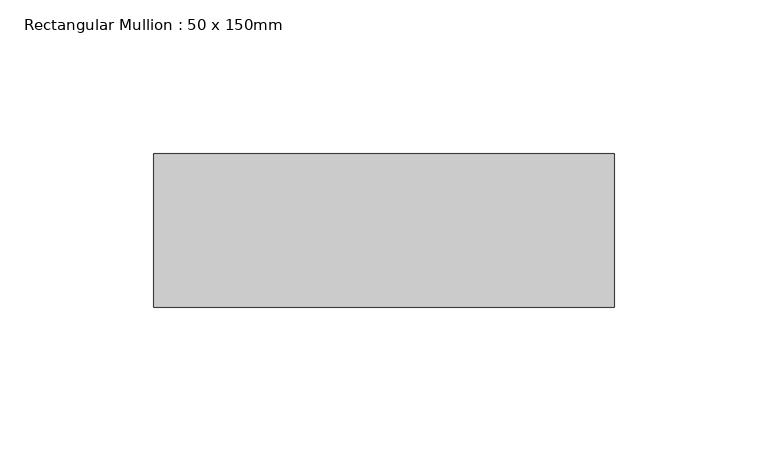
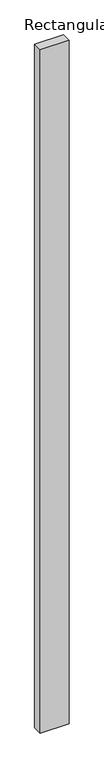
"""IFC4 building model written with IfcOpenShell, lengths in millimetres: member geometry, Rectangular Mullion : 50 x 150mm."""

from ifc_helpers import new_model, si_unit, frame, origin, place, context, project, spatial, polyline, outline, extrude, source, transform, mapped, element, save


def rectangular_mullion_50_x_150mm_fa7e3032(model_context):
    return source(origin(), model_context, "Body", "SweptSolid", [
        extrude(outline(polyline([(150.0, 50.0), (150.0, 0.0), (0.0, 0.0), (0.0, 50.0), (150.0, 50.0)])), frame((0.0, 0.0, -3758.0), z_axis=(0.0, 0.0, 1.0), x_axis=(1.0, 0.0, 0.0)), (0.0, 0.0, 1.0), 3758.0),
    ])


if __name__ == "__main__":
    model = new_model("IFC4")
    model_context = context("Model", 3, world=origin())
    ifc_project = project(units=[si_unit("LENGTHUNIT", "METRE", prefix="MILLI")], contexts=[model_context])
    site = spatial("IfcSite", under=ifc_project)
    building = spatial("IfcBuilding", under=site)
    placement = place(None, origin())
    rectangular_mullion_50_x_150mm_shape = rectangular_mullion_50_x_150mm_fa7e3032(model_context)
    element("IfcMember", 1, ObjectType="Rectangular Mullion : 50 x 150mm", at=placement, inside=building, context=model_context, shape_type="MappedRepresentation", body=[
        mapped(rectangular_mullion_50_x_150mm_shape, transform((0.0, 0.0, 0.0), x_axis=(1.0, 0.0, 0.0), y_axis=(0.0, 1.0, 0.0), z_axis=(0.0, 0.0, 1.0))),
    ])
    save(model, "model.ifc")
